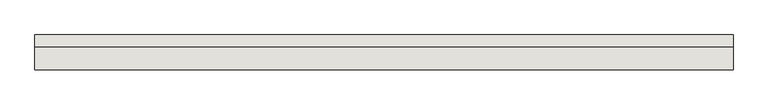
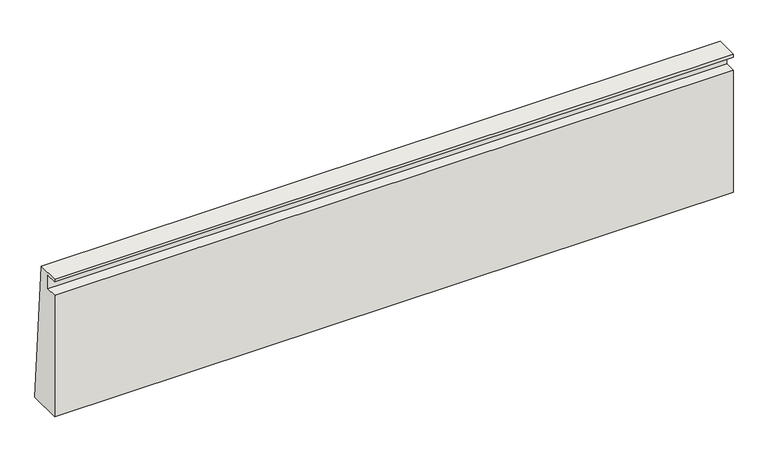
"""IFC4 building model written with IfcOpenShell, lengths in millimetres: wall geometry."""

from ifc_helpers import new_model, si_unit, frame, origin, place, context, project, spatial, polyline, outline, extrude, source, transform, mapped, element, save


def wall_b2573dce(model_context):
    return source(origin(), model_context, "Body", "SweptSolid", [
        extrude(outline(polyline([(-10539.87232, -300.0), (-10339.87232, -2870.0), (-10939.87232, -2870.0), (-10939.87232, -600.0), (-10739.87232, -600.0), (-10739.87232, -350.0), (-10939.87232, -350.0), (-10939.87232, -300.0), (-10539.87232, -300.0)])), frame((-15777.2121757, 0.0, 0.0), z_axis=(1.0, 0.0, 0.0), x_axis=(0.0, 1.0, 0.0)), (0.0, 0.0, 1.0), 11986.5696934),
    ])


if __name__ == "__main__":
    model = new_model("IFC4")
    model_context = context("Model", 3, world=origin())
    ifc_project = project(units=[si_unit("LENGTHUNIT", "METRE", prefix="MILLI")], contexts=[model_context])
    site = spatial("IfcSite", under=ifc_project)
    building = spatial("IfcBuilding", under=site)
    placement = place(None, origin())
    wall_shape = wall_b2573dce(model_context)
    element("IfcWall", 1, at=placement, inside=building, context=model_context, shape_type="MappedRepresentation", body=[
        mapped(wall_shape, transform((0.0, 0.0, 0.0), x_axis=(1.0, 0.0, 0.0), y_axis=(0.0, 1.0, 0.0), z_axis=(0.0, 0.0, 1.0))),
    ])
    save(model, "model.ifc")
